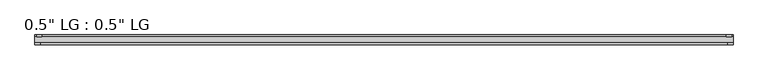
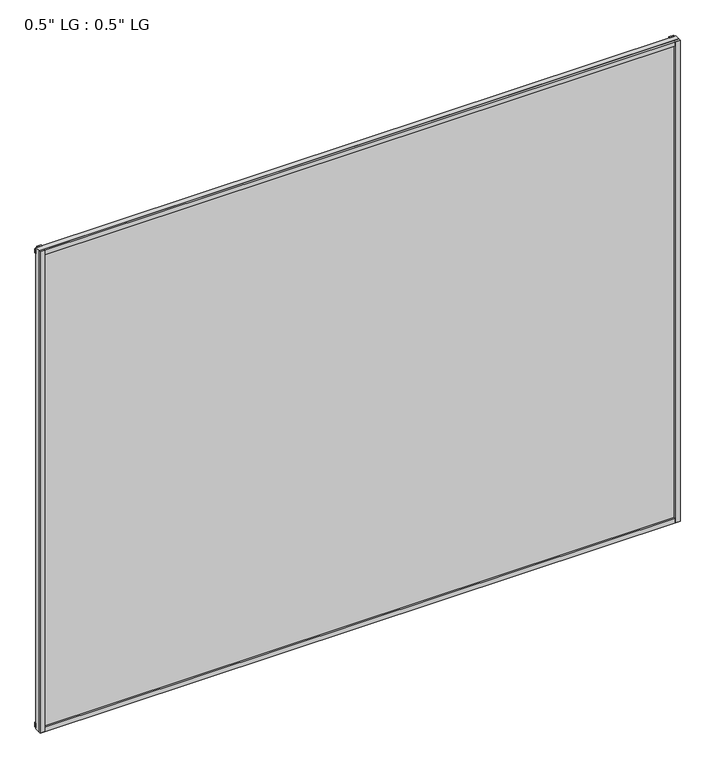
"""IFC4 building model written with IfcOpenShell, lengths in millimetres: plate geometry."""

from ifc_helpers import new_model, si_unit, frame, origin, origin_with_axes, place, context, project, spatial, polyline, outline, extrude, source, transform, mapped, element, save


def plate_cbf5c61e(model_context):
    return source(origin(), model_context, "Body", "SweptSolid", [
        extrude(outline(polyline([(809.625, -33.3271813), (809.625, -38.0007813), (797.4873204, -38.0007813), (797.4873204, -33.3271813), (809.625, -33.3271813)])), origin_with_axes(), (0.0, 0.0, 1.0), 1286.9380543),
        extrude(outline(polyline([(806.0936463, -15.5217813), (806.0936463, -19.7127813), (794.0812225, -19.7127813), (794.0812225, -15.5217813), (806.0936463, -15.5217813)])), origin_with_axes(), (0.0, 0.0, 1.0), 1286.9380543),
        extrude(outline(polyline([(-797.334422, -38.0007812), (-809.625, -38.0007812), (-809.625, -33.3271813), (-797.334422, -33.3271813), (-797.334422, -38.0007812)])), origin_with_axes(), (0.0, 0.0, 1.0), 1286.9380543),
        extrude(outline(polyline([(-793.3751841, -19.7127813), (-805.6657621, -19.7127813), (-805.6657621, -15.5217812), (-793.3751841, -15.5217812), (-793.3751841, -19.7127813)])), origin_with_axes(), (0.0, 0.0, 1.0), 1286.9380543),
        extrude(outline(polyline([(809.625, -33.3271813), (809.625, -38.0007813), (-809.625, -38.0007812), (-809.625, -33.3271813), (809.625, -33.3271813)])), origin_with_axes(), (0.0, 0.0, 1.0), 11.1693096),
        extrude(outline(polyline([(809.625, -15.3590708), (809.625, -20.1364307), (-809.625, -20.1364307), (-809.625, -15.3590708), (809.625, -15.3590708)])), frame((0.0, 0.0, 3.848913), z_axis=(0.0, 0.0, 1.0), x_axis=(1.0, 0.0, 0.0)), (0.0, 0.0, 1.0), 11.1693096),
        extrude(outline(polyline([(809.625, -33.3271813), (809.625, -38.0007813), (-809.625, -38.0007812), (-809.625, -33.3271813), (809.625, -33.3271813)])), frame((0.0, 0.0, 1275.7569484), z_axis=(0.0, 0.0, 1.0), x_axis=(1.0, 0.0, 0.0)), (0.0, 0.0, 1.0), 11.1811058),
        extrude(outline(polyline([(809.625, -15.5217813), (809.625, -19.7127813), (-809.625, -19.7127812), (-809.625, -15.5217813), (809.625, -15.5217813)])), frame((0.0, 0.0, 1271.1978017), z_axis=(0.0, 0.0, 1.0), x_axis=(1.0, 0.0, 0.0)), (0.0, 0.0, 1.0), 11.1811058),
        extrude(outline(polyline([(809.625, -33.3271812), (-809.625, -33.3271812), (-809.625, -19.7127812), (809.625, -19.7127812), (809.625, -33.3271812)])), origin_with_axes(), (0.0, 0.0, 1.0), 1286.9380543),
    ])


if __name__ == "__main__":
    model = new_model("IFC4")
    model_context = context("Model", 3, world=origin())
    ifc_project = project(units=[si_unit("LENGTHUNIT", "METRE", prefix="MILLI")], contexts=[model_context])
    site = spatial("IfcSite", under=ifc_project)
    building = spatial("IfcBuilding", under=site)
    placement = place(None, origin())
    plate_shape = plate_cbf5c61e(model_context)
    element("IfcPlate", 1, ObjectType="0.5\" LG : 0.5\" LG", at=placement, inside=building, context=model_context, shape_type="MappedRepresentation", body=[
        mapped(plate_shape, transform((0.0, 0.0, 0.0), x_axis=(1.0, 0.0, 0.0), y_axis=(0.0, 1.0, 0.0), z_axis=(0.0, 0.0, 1.0))),
    ])
    save(model, "model.ifc")
